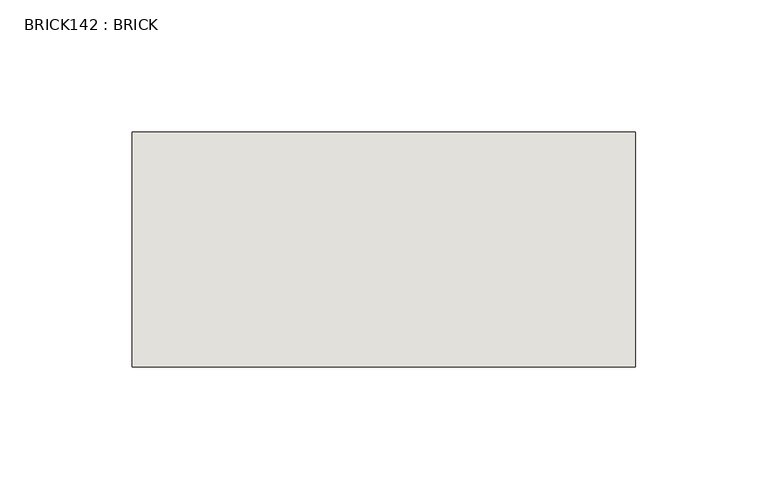
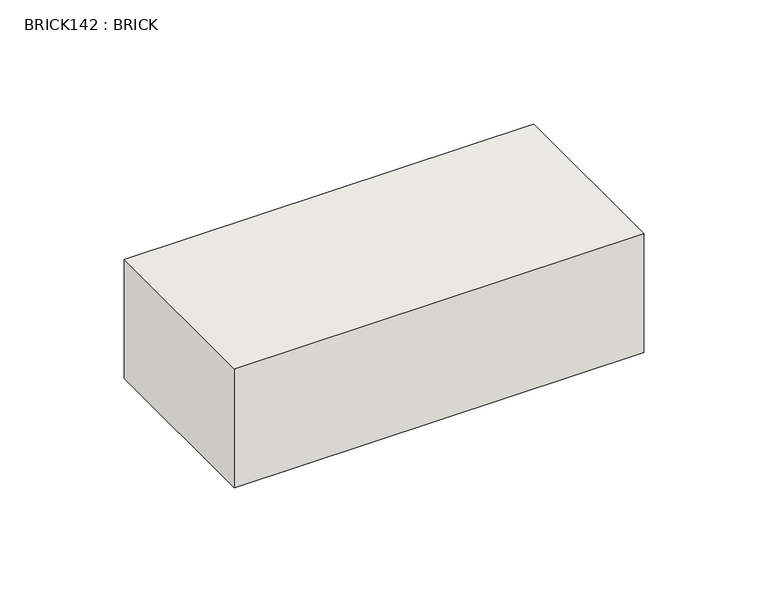
"""IFC4 building model written with IfcOpenShell, lengths in millimetres: wall geometry, BRICK142 : BRICK."""

from ifc_helpers import new_model, si_unit, frame, origin, place, context, project, spatial, polyline, outline, extrude, source, transform, mapped, element, save


def brick142_brick_0ad3fe03(model_context):
    return source(origin(), model_context, "Body", "SweptSolid", [
        extrude(outline(polyline([(122.5272594, 2586.2274125), (313.0272594, 2586.2274125), (313.0272594, 2497.3274125), (122.5272594, 2497.3274125), (122.5272594, 2586.2274125)])), frame((0.0, 0.0, 283.5671875), z_axis=(0.0, 0.0, 1.0), x_axis=(1.0, 0.0, 0.0)), (0.0, 0.0, 1.0), 58.4398437),
    ])


if __name__ == "__main__":
    model = new_model("IFC4")
    model_context = context("Model", 3, world=origin())
    ifc_project = project(units=[si_unit("LENGTHUNIT", "METRE", prefix="MILLI")], contexts=[model_context])
    site = spatial("IfcSite", under=ifc_project)
    building = spatial("IfcBuilding", under=site)
    placement = place(None, origin())
    brick142_brick_shape = brick142_brick_0ad3fe03(model_context)
    element("IfcWall", 1, ObjectType="BRICK142 : BRICK", at=placement, inside=building, context=model_context, shape_type="MappedRepresentation", body=[
        mapped(brick142_brick_shape, transform((0.0, 0.0, 0.0), x_axis=(1.0, 0.0, 0.0), y_axis=(0.0, 1.0, 0.0), z_axis=(0.0, 0.0, 1.0))),
    ])
    save(model, "model.ifc")
